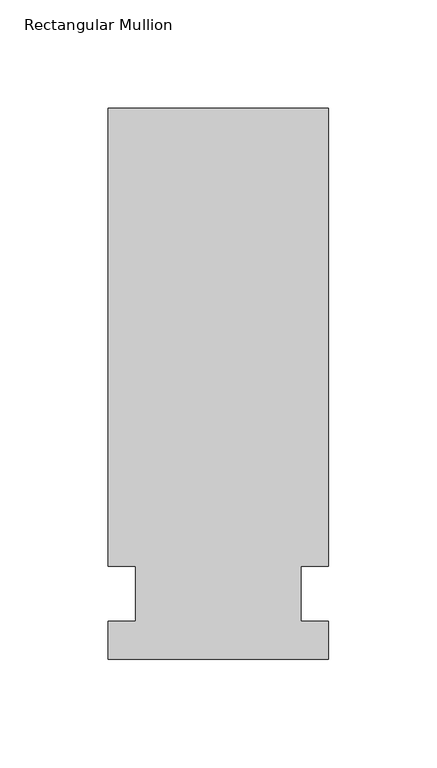
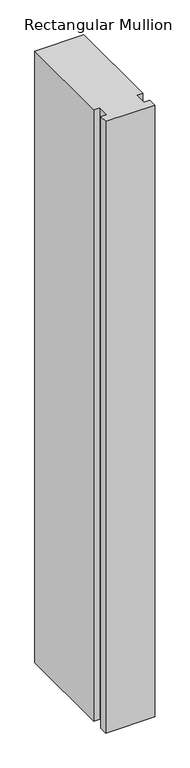
"""IFC4 building model written with IfcOpenShell, lengths in millimetres: member geometry, Rectangular Mullion."""

from ifc_helpers import new_model, si_unit, frame, origin, place, context, project, spatial, polyline, outline, extrude, source, transform, mapped, element, save


def rectangular_mullion_90ab577e(model_context):
    return source(origin(), model_context, "Body", "SweptSolid", [
        extrude(outline(polyline([(55.1344027, 223.8375), (55.1344027, 12.7), (42.4326322, 12.7), (42.4326322, -12.7), (55.1344027, -12.7), (55.1344027, -30.1625), (-46.4655973, -30.1625), (-46.4655973, -12.7), (-33.7655973, -12.7), (-33.7655973, 12.7), (-46.4655973, 12.7), (-46.4655973, 223.8375), (55.1344027, 223.8375)])), frame((0.0, 0.0, -1340.807264), z_axis=(0.0, 0.0, 1.0), x_axis=(1.0, 0.0, 0.0)), (0.0, 0.0, 1.0), 1340.807264),
    ])


if __name__ == "__main__":
    model = new_model("IFC4")
    model_context = context("Model", 3, world=origin())
    ifc_project = project(units=[si_unit("LENGTHUNIT", "METRE", prefix="MILLI")], contexts=[model_context])
    site = spatial("IfcSite", under=ifc_project)
    building = spatial("IfcBuilding", under=site)
    placement = place(None, origin())
    rectangular_mullion_shape = rectangular_mullion_90ab577e(model_context)
    element("IfcMember", 1, ObjectType="Rectangular Mullion", at=placement, inside=building, context=model_context, shape_type="MappedRepresentation", body=[
        mapped(rectangular_mullion_shape, transform((0.0, 0.0, 0.0), x_axis=(1.0, 0.0, 0.0), y_axis=(0.0, 1.0, 0.0), z_axis=(0.0, 0.0, 1.0))),
    ])
    save(model, "model.ifc")
